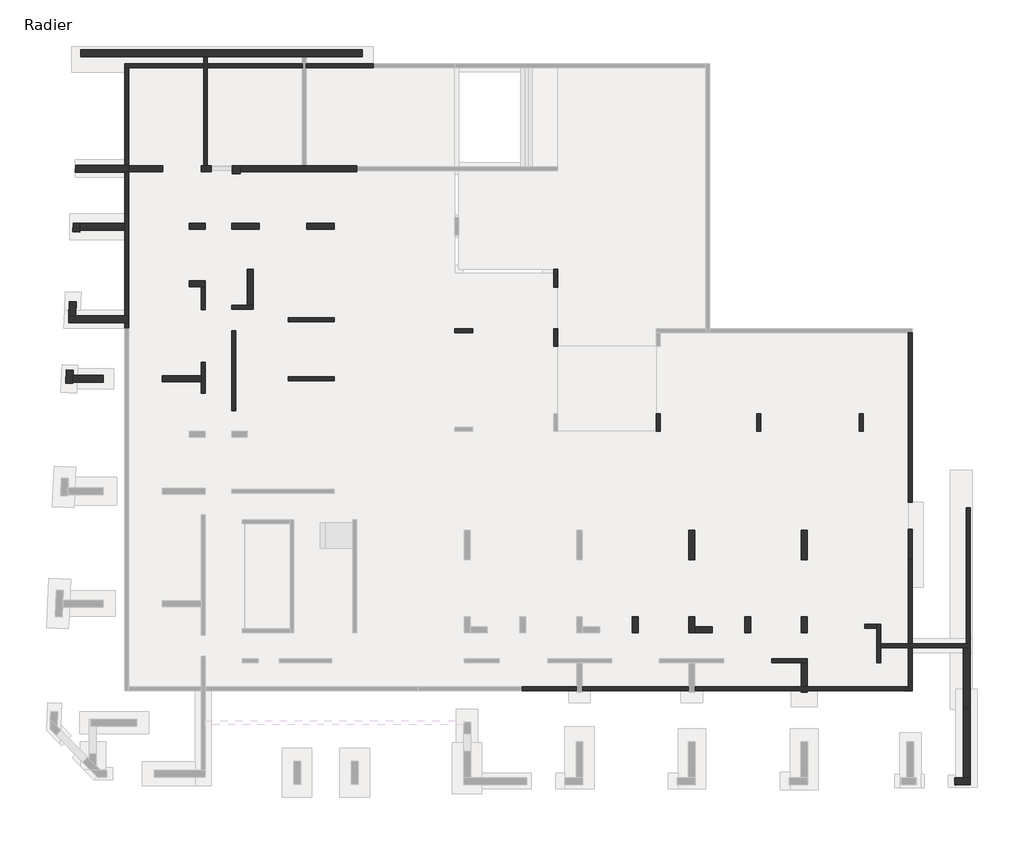
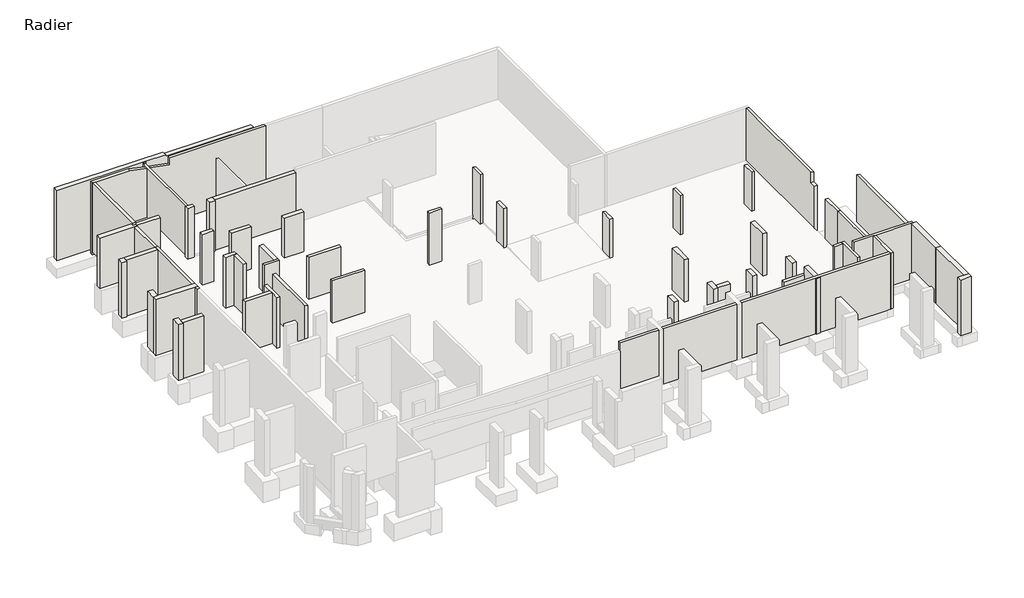
# One storey, part 2 of 4: 54 walls.
"""IFC4 building model written with IfcOpenShell, lengths in millimetres."""

from ifc_helpers import new_model, si_unit, frame, origin, place, context, project, spatial, polyline, outline, extrude, faceted_brep, element, save

model = new_model("IFC4")

# Units and contexts
model_context = context("Model", 3, world=origin())
ifc_project = project(units=[si_unit("LENGTHUNIT", "METRE", prefix="MILLI")], contexts=[model_context])

# Site, building, storey
site = spatial("IfcSite", under=ifc_project)
building = spatial("IfcBuilding", under=site)
storey = spatial("IfcBuildingStorey", under=building, Name="Radier", Elevation=-3900.0)

# Walls
placement = place(None, origin())
element("IfcWall", 1, ObjectType="MHA20", at=placement, inside=storey, context=model_context, shape_type="Brep", body=[
    faceted_brep([(-40805.6912908, 16850.9327501, -5150.0), (-40805.6912908, 11750.9327501, -5150.0), (-40805.6912908, 11750.9327501, -4900.0), (-40805.6912908, 11750.9327501, -3900.0), (-40805.6912908, 11925.9327501, -3900.0), (-40805.6912908, 11925.9327501, -20.0), (-40805.6912908, 11900.9327501, -20.0), (-40805.6912908, 11750.9327501, -20.0), (-40805.6912908, 11750.9327501, 130.0), (-40805.6912908, 11900.9327501, 130.0), (-40805.6912908, 16850.9327501, 130.0), (-40605.6912908, 16850.9327501, -5150.0), (-40605.6912908, 16850.9327501, 130.0), (-40605.6912908, 11900.9327501, 130.0), (-40605.6912908, 11750.9327501, 130.0), (-40605.6912908, 11750.9327501, -20.0), (-40605.6912908, 11900.9327501, -20.0), (-40605.6912908, 11925.9327501, -20.0), (-40605.6912908, 11925.9327501, -3900.0), (-40605.6912908, 11750.9327501, -3900.0), (-40605.6912908, 11750.9327501, -4900.0), (-40605.6912908, 11750.9327501, -5150.0)], [[[0, 1, 2, 3, 4, 5, 6, 7, 8, 9, 10]], [[11, 12, 13, 14, 15, 16, 17, 18, 19, 20, 21]], [[1, 0, 11, 21]], [[8, 7, 15, 14]], [[10, 9, 8, 14, 13, 12]], [[0, 10, 12, 11]], [[5, 17, 16, 15, 7, 6]], [[3, 2, 1, 21, 20, 19]], [[18, 4, 3, 19]], [[5, 4, 18, 17]]]),
])
element("IfcWall", 2, ObjectType="MHA20", at=placement, inside=storey, context=model_context, shape_type="Brep", body=[
    faceted_brep([(-2535.6912908, -13279.0672499, -4300.0), (-2535.6912908, -12519.0672499, -4300.0), (-2535.6912908, -12319.0672499, -4300.0), (-2535.6912908, -11329.0672499, -4300.0), (-2535.6912908, -11329.0672499, -670.0), (-2535.6912908, -13279.0672499, -670.0), (-2735.6912908, -13279.0672499, -4300.0), (-2735.6912908, -13279.0672499, -670.0), (-2735.6912908, -11529.0672499, -670.0), (-2735.6912908, -11329.0672499, -670.0), (-2735.6912908, -11329.0672499, -4300.0), (-2735.6912908, -11529.0672499, -4300.0)], [[[0, 1, 2, 3, 4, 5]], [[6, 7, 8, 9, 10, 11]], [[3, 2, 1, 0, 6, 11, 10]], [[5, 4, 9, 8, 7]], [[0, 5, 7, 6]], [[4, 3, 10, 9]]]),
])
element("IfcWall", 3, ObjectType="MHA20", at=placement, inside=storey, context=model_context, shape_type="Brep", body=[
    faceted_brep([(-2535.6912908, -12519.0672499, -20.0), (-2535.6912908, -12519.0672499, -4300.0), (-1125.6912908, -12519.0672499, -4300.0), (-925.6912908, -12519.0672499, -4300.0), (1644.3087092, -12519.0672499, -4300.0), (1994.3087092, -12519.0672499, -4300.0), (1994.3087092, -12519.0672499, -670.0), (1794.3087092, -12519.0672499, -670.0), (1794.3087092, -12519.0672499, -20.0), (1644.3087092, -12519.0672499, -20.0), (-925.6912908, -12519.0672499, -20.0), (-1125.6912908, -12519.0672499, -20.0), (-2535.6912908, -12319.0672499, -4300.0), (-2535.6912908, -12319.0672499, -20.0), (1794.3087092, -12319.0672499, -20.0), (1794.3087092, -12319.0672499, -670.0), (1994.3087092, -12319.0672499, -670.0), (1994.3087092, -12319.0672499, -4300.0), (-925.6912908, -12319.0672499, -4300.0), (-1125.6912908, -12319.0672499, -4300.0)], [[[0, 1, 2, 3, 4, 5, 6, 7, 8, 9, 10, 11]], [[12, 13, 14, 15, 16, 17, 18, 19]], [[5, 4, 3, 2, 1, 12, 19, 18, 17]], [[0, 11, 10, 9, 8, 14, 13]], [[0, 13, 12, 1]], [[15, 7, 6, 16]], [[6, 5, 17, 16]], [[8, 7, 15, 14]]]),
])
element("IfcWall", 4, ObjectType="MHA20", at=placement, inside=storey, context=model_context, shape_type="Brep", body=[
    faceted_brep([(-6255.6912908, -13079.0672499, -4300.0), (-8050.6912908, -13079.0672499, -4300.0), (-8050.6912908, -13079.0672499, -670.0), (-6255.6912908, -13079.0672499, -670.0), (-6255.6912908, -13279.0672499, -4300.0), (-6255.6912908, -13279.0672499, -670.0), (-8050.6912908, -13279.0672499, -670.0), (-8050.6912908, -13279.0672499, -4300.0), (-6555.6912908, -13279.0672499, -4300.0)], [[[0, 1, 2, 3]], [[4, 5, 6, 7, 8]], [[1, 0, 4, 8, 7]], [[2, 1, 7, 6]], [[3, 2, 6, 5]], [[0, 3, 5, 4]]]),
])
element("IfcWall", 5, ObjectType="MHA20", at=placement, inside=storey, context=model_context, shape_type="SweptSolid", body=[
    extrude(outline(polyline([(3440.9327501, -4300.0), (-5144.0672499, -4300.0), (-5144.0672499, -673.85), (-4689.0672499, -680.22), (-4689.0672499, 100.0), (3440.9327501, 100.0), (3440.9327501, -4300.0)])), frame((-1125.6912908, 0.0, 0.0), z_axis=(1.0, 0.0, 0.0), x_axis=(0.0, 1.0, 0.0)), (0.0, 0.0, 1.0), 200.0),
])
element("IfcWall", 6, ObjectType="MHA20", at=placement, inside=storey, context=model_context, shape_type="SweptSolid", body=[
    extrude(outline(polyline([(-35205.6912908, 3530.9327501), (-35205.6912908, -509.0672499), (-35405.6912908, -509.0672499), (-35405.6912908, 3530.9327501), (-35205.6912908, 3530.9327501)])), frame((0.0, 0.0, -4300.0), z_axis=(0.0, 0.0, 1.0), x_axis=(1.0, 0.0, 0.0)), (0.0, 0.0, 1.0), 3630.0),
])
element("IfcWall", 7, ObjectType="MHA20", at=placement, inside=storey, context=model_context, shape_type="Brep", body=[
    faceted_brep([(-32545.6912908, 1000.9327501, -4300.0), (-30205.6912908, 1000.9327501, -4300.0), (-30205.6912908, 1000.9327501, -1650.0), (-30205.6912908, 1000.9327501, -830.0), (-30205.6912908, 1000.9327501, -670.0), (-32545.6912908, 1000.9327501, -670.0), (-32545.6912908, 1000.9327501, -830.0), (-32545.6912908, 1000.9327501, -1650.0), (-32545.6912908, 1200.9327501, -4300.0), (-32545.6912908, 1200.9327501, -1650.0), (-32545.6912908, 1200.9327501, -830.0), (-32545.6912908, 1200.9327501, -670.0), (-30205.6912908, 1200.9327501, -670.0), (-30205.6912908, 1200.9327501, -830.0), (-30205.6912908, 1200.9327501, -1650.0), (-30205.6912908, 1200.9327501, -4300.0)], [[[0, 1, 2, 3, 4, 5, 6, 7]], [[8, 9, 10, 11, 12, 13, 14, 15]], [[1, 0, 8, 15]], [[4, 3, 2, 1, 15, 14, 13, 12]], [[5, 4, 12, 11]], [[0, 7, 6, 5, 11, 10, 9, 8]]]),
])
element("IfcWall", 8, ObjectType="MHA20", at=placement, inside=storey, context=model_context, shape_type="Brep", body=[
    faceted_brep([(-35405.6912908, 4620.9327501, -4300.0), (-34305.6912908, 4620.9327501, -4300.0), (-34305.6912908, 4620.9327501, -670.0), (-35405.6912908, 4620.9327501, -670.0), (-35405.6912908, 4820.9327501, -4300.0), (-35405.6912908, 4820.9327501, -670.0), (-34605.6912908, 4820.9327501, -670.0), (-34305.6912908, 4820.9327501, -670.0), (-34305.6912908, 4820.9327501, -4300.0), (-34605.6912908, 4820.9327501, -4300.0)], [[[0, 1, 2, 3]], [[4, 5, 6, 7, 8, 9]], [[1, 0, 4, 9, 8]], [[3, 2, 7, 6, 5]], [[0, 3, 5, 4]], [[2, 1, 8, 7]]]),
])
element("IfcWall", 9, ObjectType="MHA20", at=placement, inside=storey, context=model_context, shape_type="Brep", body=[
    faceted_brep([(-36735.6912908, 360.9327501, -4300.0), (-36735.6912908, 1930.9327501, -4300.0), (-36735.6912908, 1930.9327501, -820.0), (-36735.6912908, 1930.9327501, -180.0), (-36735.6912908, 1930.9327501, -20.0), (-36735.6912908, 360.9327501, -20.0), (-36735.6912908, 360.9327501, -180.0), (-36735.6912908, 360.9327501, -820.0), (-36935.6912908, 360.9327501, -4300.0), (-36935.6912908, 360.9327501, -820.0), (-36935.6912908, 360.9327501, -180.0), (-36935.6912908, 360.9327501, -20.0), (-36935.6912908, 950.9327501, -20.0), (-36935.6912908, 1250.9327501, -20.0), (-36935.6912908, 1930.9327501, -20.0), (-36935.6912908, 1930.9327501, -180.0), (-36935.6912908, 1930.9327501, -820.0), (-36935.6912908, 1930.9327501, -4300.0), (-36935.6912908, 1250.9327501, -4300.0), (-36935.6912908, 950.9327501, -4300.0)], [[[0, 1, 2, 3, 4, 5, 6, 7]], [[8, 9, 10, 11, 12, 13, 14, 15, 16, 17, 18, 19]], [[1, 0, 8, 19, 18, 17]], [[4, 3, 2, 1, 17, 16, 15, 14]], [[5, 4, 14, 13, 12, 11]], [[0, 7, 6, 5, 11, 10, 9, 8]]]),
])
element("IfcWall", 10, ObjectType="MHA20", at=placement, inside=storey, context=model_context, shape_type="Brep", body=[
    faceted_brep([(-36935.6912908, 5760.9327501, -4300.0), (-36935.6912908, 4590.9327501, -4300.0), (-36935.6912908, 4590.9327501, -820.0), (-36935.6912908, 4590.9327501, -180.0), (-36935.6912908, 4590.9327501, -20.0), (-36935.6912908, 5760.9327501, -20.0), (-36735.6912908, 5760.9327501, -4300.0), (-36735.6912908, 5760.9327501, -20.0), (-36735.6912908, 4590.9327501, -20.0), (-36735.6912908, 4590.9327501, -180.0), (-36735.6912908, 4590.9327501, -820.0), (-36735.6912908, 4590.9327501, -4300.0)], [[[0, 1, 2, 3, 4, 5]], [[6, 7, 8, 9, 10, 11]], [[1, 0, 6, 11]], [[4, 3, 2, 1, 11, 10, 9, 8]], [[5, 4, 8, 7]], [[0, 5, 7, 6]]]),
])
element("IfcWall", 11, ObjectType="MHA20", at=placement, inside=storey, context=model_context, shape_type="Brep", body=[
    faceted_brep([(-30205.6912908, 4200.9327501, -4300.0), (-32545.6912908, 4200.9327501, -4300.0), (-32545.6912908, 4200.9327501, -670.0), (-30205.6912908, 4200.9327501, -670.0), (-30205.6912908, 4200.9327501, -830.0), (-30205.6912908, 4200.9327501, -1650.0), (-30205.6912908, 4000.9327501, -4300.0), (-30205.6912908, 4000.9327501, -1650.0), (-30205.6912908, 4000.9327501, -830.0), (-30205.6912908, 4000.9327501, -670.0), (-32545.6912908, 4000.9327501, -670.0), (-32545.6912908, 4000.9327501, -4300.0)], [[[0, 1, 2, 3, 4, 5]], [[6, 7, 8, 9, 10, 11]], [[1, 0, 6, 11]], [[2, 1, 11, 10]], [[3, 2, 10, 9]], [[0, 5, 4, 3, 9, 8, 7, 6]]]),
])
element("IfcWall", 12, ObjectType="MHA20", at=placement, inside=storey, context=model_context, shape_type="Brep", body=[
    faceted_brep([(1994.3087092, -12319.0672499, -4300.0), (1994.3087092, -5419.0672499, -4300.0), (1994.3087092, -5419.0672499, -1250.0), (1994.3087092, -5419.0672499, -670.0), (1994.3087092, -12319.0672499, -670.0), (1794.3087092, -12319.0672499, -4300.0), (1794.3087092, -12319.0672499, -670.0), (1794.3087092, -5419.0672499, -670.0), (1794.3087092, -5419.0672499, -1250.0), (1794.3087092, -5419.0672499, -4300.0)], [[[0, 1, 2, 3, 4]], [[5, 6, 7, 8, 9]], [[1, 0, 5, 9]], [[4, 3, 7, 6]], [[0, 4, 6, 5]], [[3, 2, 1, 9, 8, 7]]]),
])
element("IfcWall", 13, ObjectType="MHA20", at=placement, inside=storey, context=model_context, shape_type="Brep", body=[
    faceted_brep([(-36625.6912908, 11900.9327501, -5400.0), (-36625.6912908, 16850.9327501, -5400.0), (-36625.6912908, 17050.9327501, -5400.0), (-36625.6912908, 17405.9327501, -5400.0), (-36625.6912908, 17405.9327501, -20.0), (-36625.6912908, 17380.9327501, -20.0), (-36625.6912908, 17380.9327501, -168.54), (-36625.6912908, 17050.9327501, -168.54), (-36625.6912908, 16850.9327501, -168.54), (-36625.6912908, 11900.9327501, -168.54), (-36825.6912908, 17405.9327501, -5400.0), (-36825.6912908, 17050.9327501, -5400.0), (-36825.6912908, 16850.9327501, -5400.0), (-36825.6912908, 11900.9327501, -5400.0), (-36825.6912908, 11900.9327501, -128.14), (-36825.6912908, 16850.9327501, -128.14), (-36825.6912908, 17050.9327501, -128.14), (-36825.6912908, 17380.9327501, -128.14), (-36825.6912908, 17380.9327501, -20.0), (-36825.6912908, 17405.9327501, -20.0)], [[[0, 1, 2, 3, 4, 5, 6, 7, 8, 9]], [[10, 11, 12, 13, 14, 15, 16, 17, 18, 19]], [[3, 2, 1, 0, 13, 12, 11, 10]], [[4, 19, 18, 5]], [[13, 0, 9, 14]], [[17, 6, 5, 18]], [[6, 17, 16, 15, 14, 9, 8, 7]], [[4, 3, 10, 19]]]),
])
element("IfcWall", 14, ObjectType="MHA20", at=placement, inside=storey, context=model_context, shape_type="SweptSolid", body=[
    extrude(outline(polyline([(-2735.6912908, -11529.0672499), (-3335.6912908, -11529.0672499), (-3335.6912908, -11329.0672499), (-2735.6912908, -11329.0672499), (-2735.6912908, -11529.0672499)])), frame((0.0, 0.0, -4300.0), z_axis=(0.0, 0.0, 1.0), x_axis=(1.0, 0.0, 0.0)), (0.0, 0.0, 1.0), 3630.0),
])
element("IfcWall", 15, ObjectType="MHA20", at=placement, inside=storey, context=model_context, shape_type="SweptSolid", body=[
    extrude(outline(polyline([(-1125.6912908, -8069.0672499), (-1125.6912908, -6519.0672499), (-925.6912908, -6519.0672499), (-925.6912908, -8069.0672499), (-1125.6912908, -8069.0672499)])), frame((0.0, 0.0, -4300.0), z_axis=(0.0, 0.0, 1.0), x_axis=(1.0, 0.0, 0.0)), (0.0, 0.0, 1.0), 3470.0),
])
element("IfcWall", 16, ObjectType="MHA20", at=placement, inside=storey, context=model_context, shape_type="Brep", body=[
    faceted_brep([(-1125.6912908, -8069.0672499, -830.0), (-1125.6912908, -8069.0672499, -4300.0), (-1125.6912908, -12319.0672499, -4300.0), (-1125.6912908, -12319.0672499, -830.0), (-925.6912908, -8069.0672499, -4300.0), (-925.6912908, -8069.0672499, -830.0), (-925.6912908, -12319.0672499, -830.0), (-925.6912908, -12319.0672499, -4300.0)], [[[0, 1, 2, 3]], [[4, 5, 6, 7]], [[3, 2, 7, 6]], [[1, 4, 7, 2]], [[5, 0, 3, 6]], [[1, 0, 5, 4]]]),
    faceted_brep([(-1125.6912908, -14699.0672499, -4300.0), (-1125.6912908, -14699.0672499, -20.0), (-1125.6912908, -14499.0672499, -20.0), (-1125.6912908, -12519.0672499, -20.0), (-1125.6912908, -12519.0672499, -4300.0), (-1125.6912908, -14499.0672499, -4300.0), (-925.6912908, -14699.0672499, -20.0), (-925.6912908, -14699.0672499, -140.0), (-925.6912908, -14699.0672499, -820.0), (-925.6912908, -14699.0672499, -4300.0), (-925.6912908, -12519.0672499, -4300.0), (-925.6912908, -12519.0672499, -20.0)], [[[0, 1, 2, 3, 4, 5]], [[6, 7, 8, 9, 10, 11]], [[9, 0, 5, 4, 10]], [[1, 0, 9, 8, 7, 6]], [[3, 2, 1, 6, 11]], [[3, 11, 10, 4]]]),
])
element("IfcWall", 17, ObjectType="MHA20", at=placement, inside=storey, context=model_context, shape_type="Brep", body=[
    faceted_brep([(-28225.6912908, 16850.9327501, -5400.0), (-28225.6912908, 16850.9327501, 100.0), (-35175.6912908, 16850.9327501, 100.0), (-35175.6912908, 16850.9327501, -461.44), (-36625.6912908, 16850.9327501, -168.54), (-36625.6912908, 16850.9327501, -5400.0), (-31825.6912908, 16850.9327501, -5400.0), (-31825.6912908, 16850.9327501, -1138.14), (-31625.6912908, 16850.9327501, -1178.54), (-31625.6912908, 16850.9327501, -5400.0), (-28225.6912908, 17050.9327501, 100.0), (-28225.6912908, 17050.9327501, -5400.0), (-31625.6912908, 17050.9327501, -5400.0), (-31625.6912908, 17050.9327501, -1178.54), (-31825.6912908, 17050.9327501, -1138.14), (-31825.6912908, 17050.9327501, -5400.0), (-36625.6912908, 17050.9327501, -5400.0), (-36625.6912908, 17050.9327501, -168.54), (-35175.6912908, 17050.9327501, -461.44), (-35175.6912908, 17050.9327501, 100.0)], [[[0, 1, 2, 3, 4, 5, 6, 7, 8, 9]], [[10, 11, 12, 13, 14, 15, 16, 17, 18, 19]], [[11, 0, 9, 12]], [[5, 16, 15, 6]], [[1, 0, 11, 10]], [[2, 1, 10, 19]], [[3, 2, 19, 18]], [[3, 18, 17, 4]], [[5, 4, 17, 16]], [[8, 13, 12, 9]], [[14, 7, 6, 15]], [[13, 8, 7, 14]]]),
    faceted_brep([(-40805.6912908, 16850.9327501, 130.0), (-40805.6912908, 16850.9327501, -5150.0), (-40805.6912908, 16850.9327501, -5400.0), (-36825.6912908, 16850.9327501, -5400.0), (-36825.6912908, 16850.9327501, -128.14), (-38103.6120829, 16850.9327501, 130.0), (-40605.6912908, 16850.9327501, 130.0), (-40805.6912908, 17050.9327501, -5400.0), (-40805.6912908, 17050.9327501, 130.0), (-38103.6120829, 17050.9327501, 130.0), (-36825.6912908, 17050.9327501, -128.14), (-36825.6912908, 17050.9327501, -5400.0)], [[[0, 1, 2, 3, 4, 5, 6]], [[7, 8, 9, 10, 11]], [[2, 7, 11, 3]], [[2, 1, 0, 8, 7]], [[9, 5, 4, 10]], [[0, 6, 5, 9, 8]], [[4, 3, 11, 10]]]),
])
element("IfcWall", 18, ObjectType="MHA20", at=placement, inside=storey, context=model_context, shape_type="Brep", body=[
    faceted_brep([(-40605.6912908, 3675.9327501, -4900.0), (-40605.6912908, 11750.9327501, -4900.0), (-40605.6912908, 11750.9327501, -3900.0), (-40605.6912908, 11575.9327501, -3900.0), (-40605.6912908, 11575.9327501, -67.8), (-40605.6912908, 8980.9327501, -67.8), (-40605.6912908, 8980.9327501, -20.0), (-40605.6912908, 8680.9327501, -20.0), (-40605.6912908, 3675.9327501, -20.0), (-40805.6912908, 11750.9327501, -4900.0), (-40805.6912908, 3675.9327501, -4900.0), (-40805.6912908, 3675.9327501, -20.0), (-40805.6912908, 8630.9327501, -20.0), (-40805.6912908, 8680.9327501, -20.0), (-40805.6912908, 8980.9327501, -20.0), (-40805.6912908, 8980.9327501, -55.8), (-40805.6912908, 11575.9327501, -55.8), (-40805.6912908, 11575.9327501, -3900.0), (-40805.6912908, 11750.9327501, -3900.0)], [[[0, 1, 2, 3, 4, 5, 6, 7, 8]], [[9, 10, 11, 12, 13, 14, 15, 16, 17, 18]], [[1, 0, 10, 9]], [[11, 8, 7, 6, 14, 13, 12]], [[0, 8, 11, 10]], [[1, 9, 18, 2]], [[3, 2, 18, 17]], [[3, 17, 16, 4]], [[5, 15, 14, 6]], [[15, 5, 4, 16]]]),
])
element("IfcWall", 19, ObjectType="MHA20", at=placement, inside=storey, context=model_context, shape_type="Brep", body=[
    faceted_brep([(-20715.6912908, -14699.0672499, -4300.0), (-1125.6912908, -14699.0672499, -4300.0), (-1125.6912908, -14699.0672499, -20.0), (-20715.6912908, -14699.0672499, -20.0), (-20715.6912908, -14499.0672499, -4300.0), (-20715.6912908, -14499.0672499, -20.0), (-1125.6912908, -14499.0672499, -20.0), (-1125.6912908, -14499.0672499, -180.0), (-1125.6912908, -14499.0672499, -820.0), (-1125.6912908, -14499.0672499, -4300.0)], [[[0, 1, 2, 3]], [[4, 5, 6, 7, 8, 9]], [[1, 0, 4, 9]], [[3, 2, 6, 5]], [[0, 3, 5, 4]], [[2, 1, 9, 8, 7, 6]]]),
])
element("IfcWall", 20, ObjectType="MHA20", at=placement, inside=storey, context=model_context, shape_type="Brep", body=[
    faceted_brep([(-3415.6912908, -1559.1017012, -4300.0), (-3415.6912908, -659.1017012, -4300.0), (-3415.6912908, -659.1017012, -1450.0), (-3415.6912908, -659.1017012, -900.0), (-3415.6912908, -1559.1017012, -900.0), (-3415.6912908, -1559.1017012, -1450.0), (-3615.6912908, -1559.1017012, -4300.0), (-3615.6912908, -1559.1017012, -1450.0), (-3615.6912908, -1559.1017012, -900.0), (-3615.6912908, -659.1017012, -900.0), (-3615.6912908, -659.1017012, -1450.0), (-3615.6912908, -659.1017012, -4300.0)], [[[0, 1, 2, 3, 4, 5]], [[6, 7, 8, 9, 10, 11]], [[1, 0, 6, 11]], [[3, 2, 1, 11, 10, 9]], [[4, 3, 9, 8]], [[0, 5, 4, 8, 7, 6]]]),
])
element("IfcWall", 21, ObjectType="MHA20", at=placement, inside=storey, context=model_context, shape_type="Brep", body=[
    faceted_brep([(-8595.6912908, -1559.1017012, -4300.0), (-8595.6912908, -659.1017012, -4300.0), (-8595.6912908, -659.1017012, -1450.0), (-8595.6912908, -659.1017012, -900.0), (-8595.6912908, -1559.1017012, -900.0), (-8595.6912908, -1559.1017012, -1450.0), (-8795.6912908, -1559.1017012, -4300.0), (-8795.6912908, -1559.1017012, -1450.0), (-8795.6912908, -1559.1017012, -900.0), (-8795.6912908, -659.1017012, -900.0), (-8795.6912908, -659.1017012, -1450.0), (-8795.6912908, -659.1017012, -4300.0)], [[[0, 1, 2, 3, 4, 5]], [[6, 7, 8, 9, 10, 11]], [[1, 0, 6, 11]], [[3, 2, 1, 11, 10, 9]], [[4, 3, 9, 8]], [[0, 5, 4, 8, 7, 6]]]),
])
element("IfcWall", 22, ObjectType="MHA20", at=placement, inside=storey, context=model_context, shape_type="Brep", body=[
    faceted_brep([(-13695.6912908, -1559.1017012, -4300.0), (-13695.6912908, -659.1017012, -4300.0), (-13695.6912908, -659.1017012, -1450.0), (-13695.6912908, -659.1017012, -900.0), (-13695.6912908, -1559.1017012, -900.0), (-13695.6912908, -1559.1017012, -1450.0), (-13895.6912908, -1559.1017012, -4300.0), (-13895.6912908, -1559.1017012, -1450.0), (-13895.6912908, -1559.1017012, -900.0), (-13895.6912908, -659.1017012, -900.0), (-13895.6912908, -659.1017012, -1450.0), (-13895.6912908, -659.1017012, -4300.0), (-13895.6912908, -1359.0672499, -4300.0)], [[[0, 1, 2, 3, 4, 5]], [[6, 7, 8, 9, 10, 11, 12]], [[1, 0, 6, 12, 11]], [[3, 2, 1, 11, 10, 9]], [[4, 3, 9, 8]], [[0, 5, 4, 8, 7, 6]]]),
])
element("IfcWall", 23, ObjectType="MHA20", at=placement, inside=storey, context=model_context, shape_type="Brep", body=[
    faceted_brep([(-19095.6912908, 3640.9327501, -4300.0), (-19095.6912908, 3440.9327501, -4300.0), (-19095.6912908, 2740.9327501, -4300.0), (-19095.6912908, 2740.9327501, -1450.0), (-19095.6912908, 2740.9327501, -900.0), (-19095.6912908, 3440.9327501, -900.0), (-19095.6912908, 3640.9327501, -900.0), (-19095.6912908, 3640.9327501, -1450.0), (-19095.6912908, 3640.9327501, -3750.0), (-19095.6912908, 3640.9327501, -3900.0), (-19095.6912908, 3640.9327501, -4050.0), (-18895.6912908, 3640.9327501, -4300.0), (-18895.6912908, 3640.9327501, -4050.0), (-18895.6912908, 3640.9327501, -3900.0), (-18895.6912908, 3640.9327501, -3750.0), (-18895.6912908, 3640.9327501, -1450.0), (-18895.6912908, 3640.9327501, -900.0), (-18895.6912908, 3440.9327501, -900.0), (-18895.6912908, 2740.9327501, -900.0), (-18895.6912908, 2740.9327501, -1450.0), (-18895.6912908, 2740.9327501, -3900.0), (-18895.6912908, 2740.9327501, -4150.0), (-18895.6912908, 2740.9327501, -4300.0), (-18895.6912908, 3440.9327501, -4300.0)], [[[0, 1, 2, 3, 4, 5, 6, 7, 8, 9, 10]], [[11, 12, 13, 14, 15, 16, 17, 18, 19, 20, 21, 22, 23]], [[2, 1, 0, 11, 23, 22]], [[4, 3, 2, 22, 21, 20, 19, 18]], [[6, 5, 4, 18, 17, 16]], [[0, 10, 9, 8, 7, 6, 16, 15, 14, 13, 12, 11]]]),
])
element("IfcWall", 24, ObjectType="MHA20", at=placement, inside=storey, context=model_context, shape_type="Brep", body=[
    faceted_brep([(-18895.6912908, 5750.9327501, -4300.0), (-18895.6912908, 6650.9327501, -4300.0), (-18895.6912908, 6650.9327501, -3900.0), (-18895.6912908, 6650.9327501, -1450.0), (-18895.6912908, 6650.9327501, -951.7089998), (-18895.6912908, 6650.9327501, -771.7), (-18895.6912908, 6650.9327501, -100.0), (-18895.6912908, 5750.9327501, -100.0), (-18895.6912908, 5750.9327501, -771.7), (-18895.6912908, 5750.9327501, -951.7089998), (-18895.6912908, 5750.9327501, -1450.0), (-18895.6912908, 5750.9327501, -3750.0), (-18895.6912908, 5750.9327501, -3900.0), (-18895.6912908, 5750.9327501, -4050.0), (-19095.6912908, 5750.9327501, -4300.0), (-19095.6912908, 5750.9327501, -4050.0), (-19095.6912908, 5750.9327501, -3900.0), (-19095.6912908, 5750.9327501, -3750.0), (-19095.6912908, 5750.9327501, -1450.0), (-19095.6912908, 5750.9327501, -949.7089998), (-19095.6912908, 5750.9327501, -769.7), (-19095.6912908, 5750.9327501, -100.0), (-19095.6912908, 6650.9327501, -100.0), (-19095.6912908, 6650.9327501, -769.7), (-19095.6912908, 6650.9327501, -949.7089998), (-19095.6912908, 6650.9327501, -1450.0), (-19095.6912908, 6650.9327501, -3750.0), (-19095.6912908, 6650.9327501, -3900.0), (-19095.6912908, 6650.9327501, -4300.0), (-19095.6912908, 6450.9327501, -4300.0)], [[[0, 1, 2, 3, 4, 5, 6, 7, 8, 9, 10, 11, 12, 13]], [[14, 15, 16, 17, 18, 19, 20, 21, 22, 23, 24, 25, 26, 27, 28, 29]], [[1, 0, 14, 29, 28]], [[6, 5, 4, 3, 2, 1, 28, 27, 26, 25, 24, 23, 22]], [[7, 6, 22, 21]], [[0, 13, 12, 11, 10, 9, 8, 7, 21, 20, 19, 18, 17, 16, 15, 14]]]),
])
element("IfcWall", 25, ObjectType="MHA20", at=placement, inside=storey, context=model_context, shape_type="Brep", body=[
    faceted_brep([(-24095.725742, 3440.9327501, -4300.0), (-23195.725742, 3440.9327501, -4300.0), (-23195.725742, 3440.9327501, -4050.0), (-23195.725742, 3440.9327501, 100.0), (-24095.725742, 3440.9327501, 100.0), (-24095.725742, 3440.9327501, -1450.0), (-24095.725742, 3640.9327501, -4300.0), (-24095.725742, 3640.9327501, -4050.0), (-24095.725742, 3640.9327501, -1450.0), (-24095.725742, 3640.9327501, 100.0), (-23195.725742, 3640.9327501, 100.0), (-23195.725742, 3640.9327501, -4050.0), (-23195.725742, 3640.9327501, -4300.0), (-23895.725742, 3640.9327501, -4300.0)], [[[0, 1, 2, 3, 4, 5]], [[6, 7, 8, 9, 10, 11, 12, 13]], [[1, 0, 6, 13, 12]], [[3, 2, 1, 12, 11, 10]], [[4, 3, 10, 9]], [[0, 5, 4, 9, 8, 7, 6]]]),
])
element("IfcWall", 26, ObjectType="MHA30", at=placement, inside=storey, context=model_context, shape_type="Brep", body=[
    faceted_brep([(-6255.6912908, -11759.0672499, -4300.0), (-6255.6912908, -10959.0672499, -4300.0), (-6255.6912908, -10959.0672499, -1650.0), (-6255.6912908, -10959.0672499, -830.0), (-6255.6912908, -10959.0672499, -670.0), (-6255.6912908, -11759.0672499, -670.0), (-6555.6912908, -11759.0672499, -4300.0), (-6555.6912908, -11759.0672499, -670.0), (-6555.6912908, -10959.0672499, -670.0), (-6555.6912908, -10959.0672499, -830.0), (-6555.6912908, -10959.0672499, -1650.0), (-6555.6912908, -10959.0672499, -4300.0)], [[[0, 1, 2, 3, 4, 5]], [[6, 7, 8, 9, 10, 11]], [[1, 0, 6, 11]], [[4, 3, 2, 1, 11, 10, 9, 8]], [[5, 4, 8, 7]], [[0, 5, 7, 6]]]),
])
element("IfcWall", 27, ObjectType="MHA30", at=placement, inside=storey, context=model_context, shape_type="Brep", body=[
    faceted_brep([(-11945.6912908, -11759.0672499, -4300.0), (-11945.6912908, -11459.0672499, -4300.0), (-11945.6912908, -10959.0672499, -4300.0), (-11945.6912908, -10959.0672499, -1650.0), (-11945.6912908, -10959.0672499, -830.0), (-11945.6912908, -10959.0672499, -670.0), (-11945.6912908, -11459.0672499, -670.0), (-11945.6912908, -11759.0672499, -670.0), (-12245.6912908, -11759.0672499, -4300.0), (-12245.6912908, -11759.0672499, -670.0), (-12245.6912908, -10959.0672499, -670.0), (-12245.6912908, -10959.0672499, -830.0), (-12245.6912908, -10959.0672499, -1650.0), (-12245.6912908, -10959.0672499, -4300.0)], [[[0, 1, 2, 3, 4, 5, 6, 7]], [[8, 9, 10, 11, 12, 13]], [[2, 1, 0, 8, 13]], [[5, 4, 3, 2, 13, 12, 11, 10]], [[7, 6, 5, 10, 9]], [[0, 7, 9, 8]]]),
])
element("IfcWall", 28, ObjectType="MHA30", at=placement, inside=storey, context=model_context, shape_type="SweptSolid", body=[
    extrude(outline(polyline([(-11945.6912908, -11459.0672499), (-11070.6912908, -11459.0672499), (-11070.6912908, -11759.0672499), (-11945.6912908, -11759.0672499), (-11945.6912908, -11459.0672499)])), frame((0.0, 0.0, -4300.0), z_axis=(0.0, 0.0, 1.0), x_axis=(1.0, 0.0, 0.0)), (0.0, 0.0, 1.0), 3630.0),
])
element("IfcWall", 29, ObjectType="MHA30", at=placement, inside=storey, context=model_context, shape_type="SweptSolid", body=[
    extrude(outline(polyline([(-9120.6912908, -10959.0672499), (-9120.6912908, -11759.0672499), (-9420.6912908, -11759.0672499), (-9420.6912908, -10959.0672499), (-9120.6912908, -10959.0672499)])), frame((0.0, 0.0, -4300.0), z_axis=(0.0, 0.0, 1.0), x_axis=(1.0, 0.0, 0.0)), (0.0, 0.0, 1.0), 3630.0),
])
element("IfcWall", 30, ObjectType="MHA30", at=placement, inside=storey, context=model_context, shape_type="SweptSolid", body=[
    extrude(outline(polyline([(-14810.6912908, -10959.0672499), (-14810.6912908, -11759.0672499), (-15110.6912908, -11759.0672499), (-15110.6912908, -10959.0672499), (-14810.6912908, -10959.0672499)])), frame((0.0, 0.0, -4300.0), z_axis=(0.0, 0.0, 1.0), x_axis=(1.0, 0.0, 0.0)), (0.0, 0.0, 1.0), 3630.0),
])
element("IfcWall", 31, ObjectType="MHA30", at=placement, inside=storey, context=model_context, shape_type="SweptSolid", body=[
    extrude(outline(polyline([(-34305.6912908, 6650.9327501), (-34305.6912908, 4820.9327501), (-34605.6912908, 4820.9327501), (-34605.6912908, 6650.9327501), (-34305.6912908, 6650.9327501)])), frame((0.0, 0.0, -4300.0), z_axis=(0.0, 0.0, 1.0), x_axis=(1.0, 0.0, 0.0)), (0.0, 0.0, 1.0), 3630.0),
])
element("IfcWall", 32, ObjectType="MHA30", at=placement, inside=storey, context=model_context, shape_type="SweptSolid", body=[
    extrude(outline(polyline([(-37535.6912908, 8980.9327501), (-36735.6912908, 8980.9327501), (-36735.6912908, 8680.9327501), (-37535.6912908, 8680.9327501), (-37535.6912908, 8980.9327501)])), frame((0.0, 0.0, -4300.0), z_axis=(0.0, 0.0, 1.0), x_axis=(1.0, 0.0, 0.0)), (0.0, 0.0, 1.0), 4280.0),
])
element("IfcWall", 33, ObjectType="MHA30", at=placement, inside=storey, context=model_context, shape_type="Brep", body=[
    faceted_brep([(-37535.6912908, 5760.9327501, -4300.0), (-36935.6912908, 5760.9327501, -4300.0), (-36735.6912908, 5760.9327501, -4300.0), (-36735.6912908, 5760.9327501, -20.0), (-36935.6912908, 5760.9327501, -20.0), (-37535.6912908, 5760.9327501, -20.0), (-37535.6912908, 6060.9327501, -4300.0), (-37535.6912908, 6060.9327501, -300.0), (-37535.6912908, 6060.9327501, -20.0), (-36735.6912908, 6060.9327501, -20.0), (-36735.6912908, 6060.9327501, -4300.0)], [[[0, 1, 2, 3, 4, 5]], [[6, 7, 8, 9, 10]], [[2, 1, 0, 6, 10]], [[5, 4, 3, 9, 8]], [[0, 5, 8, 7, 6]], [[3, 2, 10, 9]]]),
])
element("IfcWall", 34, ObjectType="MHA30", at=placement, inside=storey, context=model_context, shape_type="Brep", body=[
    faceted_brep([(-36435.6912908, 11900.9327501, -5570.0), (-36935.6912908, 11900.9327501, -5570.0), (-36935.6912908, 11900.9327501, -20.0), (-36435.6912908, 11900.9327501, -20.0), (-36435.6912908, 11600.9327501, -5570.0), (-36435.6912908, 11600.9327501, -20.0), (-36935.6912908, 11600.9327501, -20.0), (-36935.6912908, 11600.9327501, -5570.0), (-36435.6912908, 11850.9327501, -5570.0), (-36435.6912908, 11650.9327501, -5570.0)], [[[0, 1, 2, 3]], [[4, 5, 6, 7]], [[1, 0, 8, 9, 4, 7]], [[2, 1, 7, 6]], [[3, 2, 6, 5]], [[0, 3, 5, 4, 9, 8]]]),
])
element("IfcWall", 35, ObjectType="MHA30", at=placement, inside=storey, context=model_context, shape_type="Brep", body=[
    faceted_brep([(-34975.6912908, 11600.9327501, -5570.0), (-29065.6912908, 11600.9327501, -5570.0), (-29065.6912908, 11600.9327501, -20.0), (-34975.6912908, 11600.9327501, -20.0), (-34975.6912908, 11900.9327501, -5570.0), (-34975.6912908, 11900.9327501, -20.0), (-29065.6912908, 11900.9327501, -20.0), (-29065.6912908, 11900.9327501, -5570.0), (-29065.6912908, 11850.9327501, -5570.0), (-29065.6912908, 11650.9327501, -5570.0)], [[[0, 1, 2, 3]], [[4, 5, 6, 7]], [[1, 0, 4, 7, 8, 9]], [[2, 1, 9, 8, 7, 6]], [[3, 2, 6, 5]], [[0, 3, 5, 4]]]),
])
element("IfcWall", 36, ObjectType="MHA30", at=placement, inside=storey, context=model_context, shape_type="Brep", body=[
    faceted_brep([(-35405.6912908, 8680.9327501, -4300.0), (-34005.6912908, 8680.9327501, -4300.0), (-34005.6912908, 8680.9327501, -1650.0), (-34005.6912908, 8680.9327501, -830.0), (-34005.6912908, 8680.9327501, -670.0), (-35405.6912908, 8680.9327501, -670.0), (-35405.6912908, 8980.9327501, -4300.0), (-35405.6912908, 8980.9327501, -670.0), (-34005.6912908, 8980.9327501, -670.0), (-34005.6912908, 8980.9327501, -830.0), (-34005.6912908, 8980.9327501, -1650.0), (-34005.6912908, 8980.9327501, -4300.0)], [[[0, 1, 2, 3, 4, 5]], [[6, 7, 8, 9, 10, 11]], [[1, 0, 6, 11]], [[4, 3, 2, 1, 11, 10, 9, 8]], [[5, 4, 8, 7]], [[0, 5, 7, 6]]]),
])
element("IfcWall", 37, ObjectType="MHA30", at=placement, inside=storey, context=model_context, shape_type="Brep", body=[
    faceted_brep([(-6255.6912908, -14769.0672499, -4300.0), (-6255.6912908, -13279.0672499, -4300.0), (-6255.6912908, -13279.0672499, -820.0), (-6255.6912908, -13279.0672499, -670.0), (-6255.6912908, -13279.0672499, -180.0), (-6255.6912908, -13279.0672499, -20.0), (-6255.6912908, -14769.0672499, -20.0), (-6255.6912908, -14769.0672499, -140.0), (-6255.6912908, -14769.0672499, -820.0), (-6555.6912908, -14769.0672499, -4300.0), (-6555.6912908, -14769.0672499, -820.0), (-6555.6912908, -14769.0672499, -140.0), (-6555.6912908, -14769.0672499, -20.0), (-6555.6912908, -13279.0672499, -20.0), (-6555.6912908, -13279.0672499, -180.0), (-6555.6912908, -13279.0672499, -820.0), (-6555.6912908, -13279.0672499, -4300.0)], [[[0, 1, 2, 3, 4, 5, 6, 7, 8]], [[9, 10, 11, 12, 13, 14, 15, 16]], [[1, 0, 9, 16]], [[6, 5, 13, 12]], [[0, 8, 7, 6, 12, 11, 10, 9]], [[1, 16, 15, 14, 13, 5, 4, 3, 2]]]),
])
element("IfcWall", 38, ObjectType="MHA30", at=placement, inside=storey, context=model_context, shape_type="Brep", body=[
    faceted_brep([(-38905.6912908, 950.9327501, -4300.0), (-36935.6912908, 950.9327501, -4300.0), (-36935.6912908, 950.9327501, -820.0), (-36935.6912908, 950.9327501, -180.0), (-36935.6912908, 950.9327501, -20.0), (-38905.6912908, 950.9327501, -20.0), (-38905.6912908, 950.9327501, -180.0), (-38905.6912908, 950.9327501, -820.0), (-38905.6912908, 1250.9327501, -4300.0), (-38905.6912908, 1250.9327501, -820.0), (-38905.6912908, 1250.9327501, -180.0), (-38905.6912908, 1250.9327501, -20.0), (-36935.6912908, 1250.9327501, -20.0), (-36935.6912908, 1250.9327501, -180.0), (-36935.6912908, 1250.9327501, -820.0), (-36935.6912908, 1250.9327501, -4300.0)], [[[0, 1, 2, 3, 4, 5, 6, 7]], [[8, 9, 10, 11, 12, 13, 14, 15]], [[1, 0, 8, 15]], [[5, 4, 12, 11]], [[0, 7, 6, 5, 11, 10, 9, 8]], [[4, 3, 2, 1, 15, 14, 13, 12]]]),
])
element("IfcWall", 39, ObjectType="MHA30", at=placement, inside=storey, context=model_context, shape_type="Brep", body=[
    faceted_brep([(-31605.6912908, 8680.9327501, -4300.0), (-30205.6912908, 8680.9327501, -4300.0), (-30205.6912908, 8680.9327501, -1650.0), (-30205.6912908, 8680.9327501, -830.0), (-31605.6912908, 8680.9327501, -830.0), (-31605.6912908, 8680.9327501, -1650.0), (-31605.6912908, 8980.9327501, -4300.0), (-31605.6912908, 8980.9327501, -1650.0), (-31605.6912908, 8980.9327501, -830.0), (-30205.6912908, 8980.9327501, -830.0), (-30205.6912908, 8980.9327501, -1650.0), (-30205.6912908, 8980.9327501, -4300.0)], [[[0, 1, 2, 3, 4, 5]], [[6, 7, 8, 9, 10, 11]], [[1, 0, 6, 11]], [[3, 2, 1, 11, 10, 9]], [[4, 3, 9, 8]], [[0, 5, 4, 8, 7, 6]]]),
])
element("IfcWall", 40, ObjectType="MHA30", at=placement, inside=storey, context=model_context, shape_type="Brep", body=[
    faceted_brep([(-11945.6912908, -8059.0672499, -4300.0), (-11945.6912908, -6559.0672499, -4300.0), (-11945.6912908, -6559.0672499, -1650.0), (-11945.6912908, -6559.0672499, -830.0), (-11945.6912908, -6559.0672499, -670.0), (-11945.6912908, -8059.0672499, -670.0), (-11945.6912908, -8059.0672499, -830.0), (-11945.6912908, -8059.0672499, -1650.0), (-12245.6912908, -8059.0672499, -4300.0), (-12245.6912908, -8059.0672499, -1650.0), (-12245.6912908, -8059.0672499, -830.0), (-12245.6912908, -8059.0672499, -670.0), (-12245.6912908, -6559.0672499, -670.0), (-12245.6912908, -6559.0672499, -830.0), (-12245.6912908, -6559.0672499, -1650.0), (-12245.6912908, -6559.0672499, -4300.0)], [[[0, 1, 2, 3, 4, 5, 6, 7]], [[8, 9, 10, 11, 12, 13, 14, 15]], [[1, 0, 8, 15]], [[4, 3, 2, 1, 15, 14, 13, 12]], [[5, 4, 12, 11]], [[0, 7, 6, 5, 11, 10, 9, 8]]]),
])
element("IfcWall", 41, ObjectType="MHA30", at=placement, inside=storey, context=model_context, shape_type="Brep", body=[
    faceted_brep([(-6255.6912908, -8059.0672499, -4300.0), (-6255.6912908, -6559.0672499, -4300.0), (-6255.6912908, -6559.0672499, -1650.0), (-6255.6912908, -6559.0672499, -830.0), (-6255.6912908, -6559.0672499, -670.0), (-6255.6912908, -8059.0672499, -670.0), (-6255.6912908, -8059.0672499, -830.0), (-6255.6912908, -8059.0672499, -1650.0), (-6555.6912908, -8059.0672499, -4300.0), (-6555.6912908, -8059.0672499, -1650.0), (-6555.6912908, -8059.0672499, -830.0), (-6555.6912908, -8059.0672499, -670.0), (-6555.6912908, -6559.0672499, -670.0), (-6555.6912908, -6559.0672499, -830.0), (-6555.6912908, -6559.0672499, -1650.0), (-6555.6912908, -6559.0672499, -4300.0)], [[[0, 1, 2, 3, 4, 5, 6, 7]], [[8, 9, 10, 11, 12, 13, 14, 15]], [[1, 0, 8, 15]], [[4, 3, 2, 1, 15, 14, 13, 12]], [[5, 4, 12, 11]], [[0, 7, 6, 5, 11, 10, 9, 8]]]),
])
element("IfcWall", 42, ObjectType="MHA30", at=placement, inside=storey, context=model_context, shape_type="SweptSolid", body=[
    extrude(outline(polyline([(-40605.6912908, 11900.9327501), (-38895.6912908, 11900.9327501), (-38895.6912908, 11600.9327501), (-40605.6912908, 11600.9327501), (-40605.6912908, 11900.9327501)])), frame((0.0, 0.0, -3900.0), z_axis=(0.0, 0.0, 1.0), x_axis=(1.0, 0.0, 0.0)), (0.0, 0.0, 1.0), 3880.0),
])
element("IfcWall", 43, ObjectType="MHA35", at=placement, inside=storey, context=model_context, shape_type="SweptSolid", body=[
    extrude(outline(polyline([(1994.3087092, -15594.0672499), (1994.3087092, -19094.0672499), (1644.3087092, -19094.0672499), (1644.3087092, -15594.0672499), (1994.3087092, -15594.0672499)])), frame((0.0, 0.0, -4300.0), z_axis=(0.0, 0.0, 1.0), x_axis=(1.0, 0.0, 0.0)), (0.0, 0.0, 1.0), 4280.0),
])
element("IfcWall", 44, ObjectType="MHA35", at=placement, inside=storey, context=model_context, shape_type="Brep", body=[
    faceted_brep([(-43449.8934248, 925.9327501, -4300.0), (-41905.6912908, 925.9327501, -4300.0), (-41905.6912908, 925.9327501, -820.0), (-41905.6912908, 925.9327501, -140.0), (-41905.6912908, 925.9327501, -20.0), (-43449.8934248, 925.9327501, -20.0), (-43434.0157055, 1275.9327501, -4300.0), (-43434.0157055, 1275.9327501, -20.0), (-41905.6912908, 1275.9327501, -20.0), (-41905.6912908, 1275.9327501, -140.0), (-41905.6912908, 1275.9327501, -820.0), (-41905.6912908, 1275.9327501, -4300.0)], [[[0, 1, 2, 3, 4, 5]], [[6, 7, 8, 9, 10, 11]], [[1, 0, 6, 11]], [[4, 3, 2, 1, 11, 10, 9, 8]], [[5, 4, 8, 7]], [[0, 5, 7, 6]]]),
])
element("IfcWall", 45, ObjectType="MHA35", at=placement, inside=storey, context=model_context, shape_type="Brep", body=[
    faceted_brep([(-40625.6912908, 4300.9327501, -4300.0), (-43296.7868458, 4300.9327501, -4300.0), (-43647.1468063, 4300.9327501, -4300.0), (-43647.1468063, 4300.9327501, -20.0), (-43296.7868458, 4300.9327501, -20.0), (-40625.6912908, 4300.9327501, -20.0), (-40625.6912908, 3950.9327501, -4300.0), (-40625.6912908, 3950.9327501, -20.0), (-43663.0245256, 3950.9327501, -20.0), (-43663.0245256, 3950.9327501, -140.0), (-43663.0245256, 3950.9327501, -420.0), (-43663.0245256, 3950.9327501, -4300.0)], [[[0, 1, 2, 3, 4, 5]], [[6, 7, 8, 9, 10, 11]], [[2, 1, 0, 6, 11]], [[5, 4, 3, 8, 7]], [[0, 5, 7, 6]], [[3, 2, 11, 10, 9, 8]]]),
])
element("IfcWall", 46, ObjectType="MHA35", at=placement, inside=storey, context=model_context, shape_type="Brep", body=[
    faceted_brep([(-40605.6912908, 11925.9327501, -20.0), (-40605.6912908, 11925.9327501, -3900.0), (-40805.6912908, 11925.9327501, -3900.0), (-43301.2393501, 11925.9327501, -3900.0), (-43301.2393501, 11925.9327501, -20.0), (-40805.6912908, 11925.9327501, -20.0), (-40605.6912908, 11575.9327501, -3900.0), (-40605.6912908, 11575.9327501, -67.8), (-40605.6912908, 11575.9327501, -20.0), (-43317.1170694, 11575.9327501, -20.0), (-43317.1170694, 11575.9327501, -3700.0), (-43317.1170694, 11575.9327501, -3900.0), (-42966.7571088, 11575.9327501, -3900.0), (-40805.6912908, 11575.9327501, -3900.0), (-40605.6912908, 11900.9327501, -3900.0), (-40605.6912908, 11750.9327501, -3900.0), (-40605.6912908, 11600.9327501, -3900.0), (-40605.6912908, 11600.9327501, -20.0), (-40605.6912908, 11750.9327501, -20.0), (-40605.6912908, 11900.9327501, -20.0)], [[[0, 1, 2, 3, 4, 5]], [[6, 7, 8, 9, 10, 11, 12, 13]], [[6, 13, 12, 11, 3, 2, 1, 14, 15, 16]], [[9, 8, 17, 18, 19, 0, 5, 4]], [[1, 0, 19, 18, 17, 8, 7, 6, 16, 15, 14]], [[4, 3, 11, 10, 9]]]),
])
element("IfcWall", 47, ObjectType="MHA35", at=placement, inside=storey, context=model_context, shape_type="Brep", body=[
    faceted_brep([(-40805.6912908, 8980.9327501, -4300.0), (-43084.4790562, 8980.9327501, -4300.0), (-43084.4790562, 8980.9327501, -20.0), (-40805.6912908, 8980.9327501, -20.0), (-40805.6912908, 8980.9327501, -55.8), (-40805.6912908, 8630.9327501, -4300.0), (-40805.6912908, 8630.9327501, -20.0), (-43100.3567755, 8630.9327501, -20.0), (-43100.3567755, 8630.9327501, -4300.0)], [[[0, 1, 2, 3, 4]], [[5, 6, 7, 8]], [[1, 0, 5, 8]], [[3, 2, 7, 6]], [[0, 4, 3, 6, 5]], [[2, 1, 8, 7]]]),
])
element("IfcWall", 48, ObjectType="MHA35", at=placement, inside=storey, context=model_context, shape_type="Brep", body=[
    faceted_brep([(1994.3087092, -15594.0672499, -4300.0), (1994.3087092, -12519.0672499, -4300.0), (1994.3087092, -12519.0672499, -670.0), (1994.3087092, -12519.0672499, -20.0), (1994.3087092, -15594.0672499, -20.0), (1644.3087092, -15594.0672499, -4300.0), (1644.3087092, -15594.0672499, -20.0), (1644.3087092, -12519.0672499, -20.0), (1644.3087092, -12519.0672499, -4300.0), (1794.3087092, -12519.0672499, -20.0), (1694.3087092, -12519.0672499, -20.0)], [[[0, 1, 2, 3, 4]], [[5, 6, 7, 8]], [[1, 0, 5, 8]], [[4, 3, 9, 10, 7, 6]], [[0, 4, 6, 5]], [[3, 2, 1, 8, 7, 10, 9]]]),
])
element("IfcWall", 49, ObjectType="MHA35", at=placement, inside=storey, context=model_context, shape_type="Brep", body=[
    faceted_brep([(1214.3087092, -19444.0672499, -4300.0), (1994.3087092, -19444.0672499, -4300.0), (1994.3087092, -19444.0672499, -20.0), (1214.3087092, -19444.0672499, -20.0), (1214.3087092, -19444.0672499, -140.0), (1214.3087092, -19444.0672499, -420.0), (1214.3087092, -19444.0672499, -3700.0), (1214.3087092, -19094.0672499, -4300.0), (1214.3087092, -19094.0672499, -3700.0), (1214.3087092, -19094.0672499, -20.0), (1644.3087092, -19094.0672499, -20.0), (1994.3087092, -19094.0672499, -20.0), (1994.3087092, -19094.0672499, -4300.0), (1644.3087092, -19094.0672499, -4300.0)], [[[0, 1, 2, 3, 4, 5, 6]], [[7, 8, 9, 10, 11, 12, 13]], [[1, 0, 7, 13, 12]], [[3, 2, 11, 10, 9]], [[0, 6, 5, 4, 3, 9, 8, 7]], [[2, 1, 12, 11]]]),
])
element("IfcWall", 50, ObjectType="MHA35", at=placement, inside=storey, context=model_context, shape_type="Brep", body=[
    faceted_brep([(-28795.6912908, 17405.9327501, -5400.0), (-28795.6912908, 17405.9327501, -150.0), (-35175.6912908, 17405.9327501, -150.0), (-35175.6912908, 17405.9327501, -20.0), (-36625.6912908, 17405.9327501, -20.0), (-36825.6912908, 17405.9327501, -20.0), (-43052.6396307, 17405.9327501, -20.0), (-43052.6396307, 17405.9327501, -5400.0), (-36825.6912908, 17405.9327501, -5400.0), (-36625.6912908, 17405.9327501, -5400.0), (-31825.6912908, 17405.9327501, -5400.0), (-31625.6912908, 17405.9327501, -5400.0), (-28795.6912908, 17755.9327501, -150.0), (-28795.6912908, 17755.9327501, -5400.0), (-43036.7619114, 17755.9327501, -5400.0), (-43036.7619114, 17755.9327501, -20.0), (-35175.6912908, 17755.9327501, -20.0), (-35175.6912908, 17755.9327501, -150.0)], [[[0, 1, 2, 3, 4, 5, 6, 7, 8, 9, 10, 11]], [[12, 13, 14, 15, 16, 17]], [[7, 6, 15, 14]], [[13, 0, 11, 10, 9, 8, 7, 14]], [[1, 0, 13, 12]], [[3, 16, 15, 6, 5, 4]], [[2, 1, 12, 17]], [[3, 2, 17, 16]]]),
])
element("IfcWall", 51, ObjectType="MHA35", at=placement, inside=storey, context=model_context, shape_type="Brep", body=[
    faceted_brep([(-43296.7868458, 4300.9327501, -4300.0), (-43265.3093316, 4994.8063327, -4300.0), (-43265.3093316, 4994.8063327, -3700.0), (-43265.3093316, 4994.8063327, -20.0), (-43296.7868458, 4300.9327501, -20.0), (-43647.1468063, 4300.9327501, -4300.0), (-43647.1468063, 4300.9327501, -20.0), (-43614.9497408, 5010.6677392, -20.0), (-43614.9497408, 5010.6677392, -140.0), (-43614.9497408, 5010.6677392, -420.0), (-43614.9497408, 5010.6677392, -3700.0), (-43614.9497408, 5010.6677392, -4300.0)], [[[0, 1, 2, 3, 4]], [[5, 6, 7, 8, 9, 10, 11]], [[1, 0, 5, 11]], [[3, 2, 1, 11, 10, 9, 8, 7]], [[4, 3, 7, 6]], [[0, 4, 6, 5]]]),
])
element("IfcWall", 52, ObjectType="MHA35", at=placement, inside=storey, context=model_context, shape_type="Brep", body=[
    faceted_brep([(-43104.8825344, 8531.1693292, -4300.0), (-43100.3567755, 8630.9327501, -4300.0), (-43084.4790562, 8980.9327501, -4300.0), (-43084.4790562, 8980.9327501, -20.0), (-43100.3567755, 8630.9327501, -20.0), (-43104.8825344, 8531.1693292, -20.0), (-43104.8825344, 8531.1693292, -3700.0), (-43454.5229436, 8547.0307357, -4300.0), (-43454.5229436, 8547.0307357, -3700.0), (-43454.5229436, 8547.0307357, -420.0), (-43454.5229436, 8547.0307357, -140.0), (-43454.5229436, 8547.0307357, -20.0), (-43434.8390168, 8980.9327501, -20.0), (-43434.8390168, 8980.9327501, -140.0), (-43434.8390168, 8980.9327501, -420.0), (-43434.8390168, 8980.9327501, -4300.0)], [[[0, 1, 2, 3, 4, 5, 6]], [[7, 8, 9, 10, 11, 12, 13, 14, 15]], [[2, 1, 0, 7, 15]], [[5, 4, 3, 12, 11]], [[0, 6, 5, 11, 10, 9, 8, 7]], [[3, 2, 15, 14, 13, 12]]]),
])
element("IfcWall", 53, ObjectType="MHA35", at=placement, inside=storey, context=model_context, shape_type="Brep", body=[
    faceted_brep([(-43452.4240025, 870.1500411, -4300.0), (-43449.8934248, 925.9327501, -4300.0), (-43434.0157055, 1275.9327501, -4300.0), (-43422.2873301, 1534.4668187, -4300.0), (-43422.2873301, 1534.4668187, -3700.0), (-43422.2873301, 1534.4668187, -20.0), (-43434.0157055, 1275.9327501, -20.0), (-43435.1498283, 1250.9327501, -20.0), (-43448.759302, 950.9327501, -20.0), (-43449.8934248, 925.9327501, -20.0), (-43452.4240025, 870.1500411, -20.0), (-43452.4240025, 870.1500411, -3700.0), (-43802.0644117, 886.0114476, -4300.0), (-43802.0644117, 886.0114476, -3700.0), (-43802.0644117, 886.0114476, -20.0), (-43771.9277394, 1550.3282252, -20.0), (-43771.9277394, 1550.3282252, -140.0), (-43771.9277394, 1550.3282252, -420.0), (-43771.9277394, 1550.3282252, -3700.0), (-43771.9277394, 1550.3282252, -4300.0)], [[[0, 1, 2, 3, 4, 5, 6, 7, 8, 9, 10, 11]], [[12, 13, 14, 15, 16, 17, 18, 19]], [[3, 2, 1, 0, 12, 19]], [[5, 4, 3, 19, 18, 17, 16, 15]], [[10, 9, 8, 7, 6, 5, 15, 14]], [[0, 11, 10, 14, 13, 12]]]),
])
element("IfcWall", 54, ObjectType="MHA40", at=placement, inside=storey, context=model_context, shape_type="Brep", body=[
    faceted_brep([(-34975.6912908, 11900.9327501, -5570.0), (-35365.6912908, 11900.9327501, -5570.0), (-35365.6912908, 11900.9327501, -20.0), (-34975.6912908, 11900.9327501, -20.0), (-34975.6912908, 11500.9327501, -5570.0), (-34975.6912908, 11500.9327501, -20.0), (-35365.6912908, 11500.9327501, -20.0), (-35365.6912908, 11500.9327501, -5570.0), (-34975.6912908, 11600.9327501, -5570.0), (-35365.6912908, 11650.9327501, -5570.0), (-35365.6912908, 11850.9327501, -5570.0), (-34975.6912908, 11600.9327501, -20.0)], [[[0, 1, 2, 3]], [[4, 5, 6, 7]], [[1, 0, 8, 4, 7, 9, 10]], [[2, 1, 10, 9, 7, 6]], [[3, 2, 6, 5, 11]], [[0, 3, 11, 5, 4, 8]]]),
])

save(model, "model.ifc")
